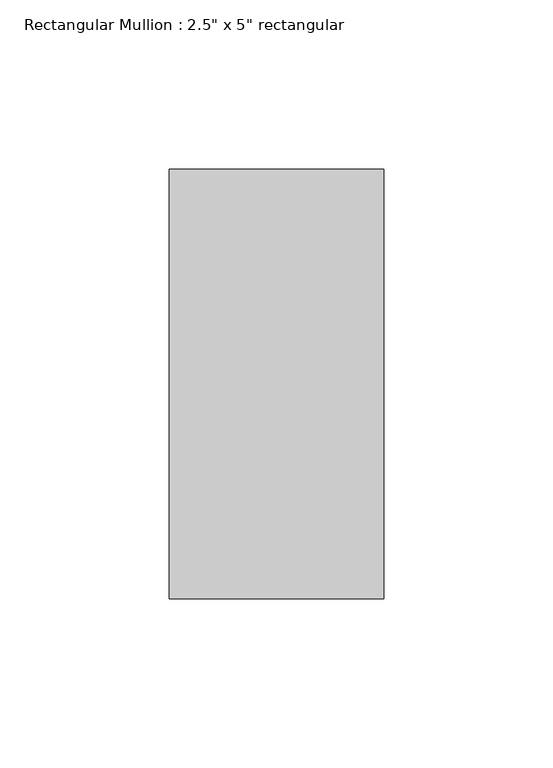
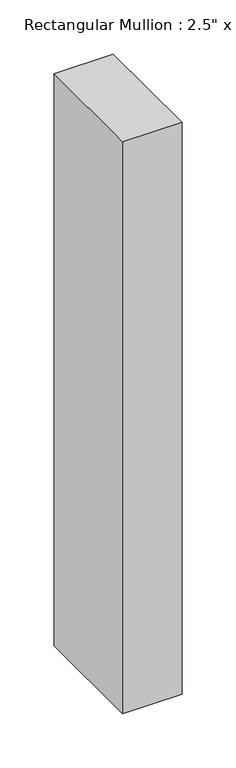
"""IFC4 building model written with IfcOpenShell, lengths in millimetres: member geometry."""

from ifc_helpers import new_model, si_unit, frame, origin, place, context, project, spatial, polyline, outline, extrude, source, transform, mapped, element, save


def member_20d87060(model_context):
    return source(origin(), model_context, "Body", "SweptSolid", [
        extrude(outline(polyline([(0.0, 63.5), (0.0, -63.5), (-63.5, -63.5), (-63.5, 63.5), (0.0, 63.5)])), frame((0.0, 0.0, -646.4300002), z_axis=(0.0, 0.0, 1.0), x_axis=(1.0, 0.0, 0.0)), (0.0, 0.0, 1.0), 646.4300002),
    ])


if __name__ == "__main__":
    model = new_model("IFC4")
    model_context = context("Model", 3, world=origin())
    ifc_project = project(units=[si_unit("LENGTHUNIT", "METRE", prefix="MILLI")], contexts=[model_context])
    site = spatial("IfcSite", under=ifc_project)
    building = spatial("IfcBuilding", under=site)
    placement = place(None, origin())
    member_shape = member_20d87060(model_context)
    element("IfcMember", 1, ObjectType="Rectangular Mullion : 2.5\" x 5\" rectangular", at=placement, inside=building, context=model_context, shape_type="MappedRepresentation", body=[
        mapped(member_shape, transform((0.0, 0.0, 0.0), x_axis=(1.0, 0.0, 0.0), y_axis=(0.0, 1.0, 0.0), z_axis=(0.0, 0.0, 1.0))),
    ])
    save(model, "model.ifc")
